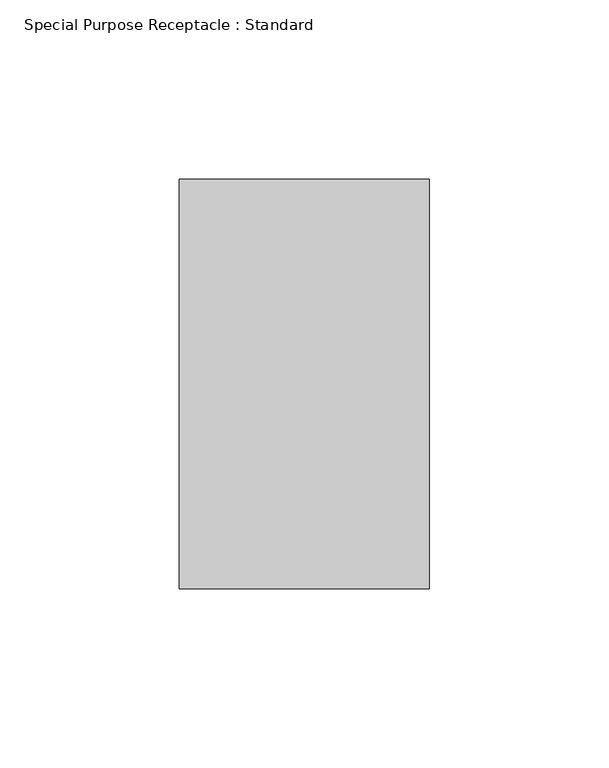
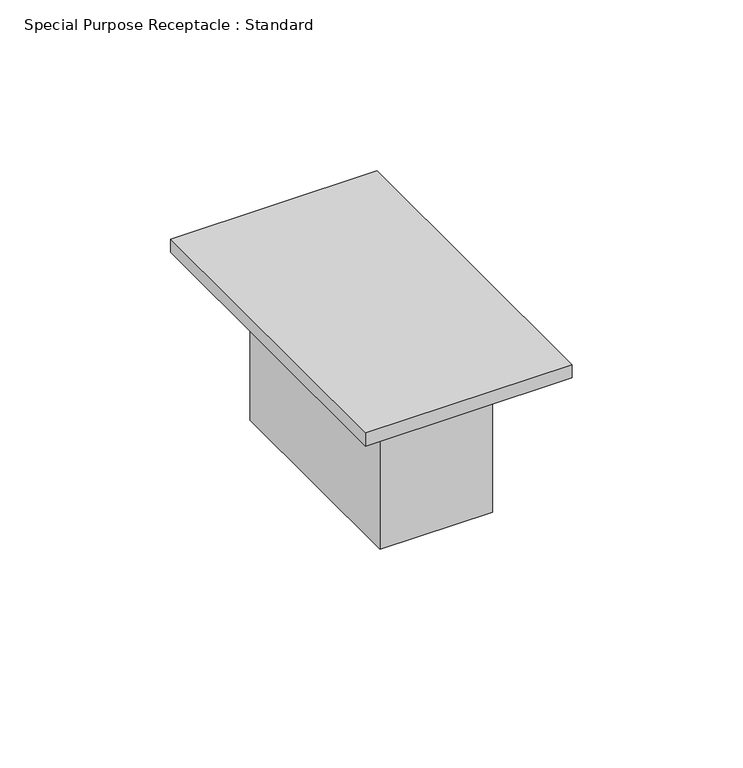
"""IFC4 building model written with IfcOpenShell, lengths in millimetres: proxy geometry, Special Purpose Receptacle : Standard."""

from ifc_helpers import new_model, si_unit, frame, origin, origin_with_axes, place, context, project, spatial, polyline, outline, extrude, source, transform, mapped, element, save


def special_purpose_receptacle_standard_10251bba(model_context):
    return source(origin(), model_context, "Body", "SweptSolid", [
        extrude(outline(polyline([(19.05, 38.1), (19.05, -38.1), (-19.05, -38.1), (-19.05, 38.1), (19.05, 38.1)])), frame((0.0, 0.0, -53.975), z_axis=(0.0, 0.0, 1.0), x_axis=(1.0, 0.0, 0.0)), (0.0, 0.0, 1.0), 53.975),
        extrude(outline(polyline([(34.925, 57.15), (34.925, -57.15), (-34.925, -57.15), (-34.925, 57.15), (34.925, 57.15)])), origin_with_axes(), (0.0, 0.0, 1.0), 4.7625),
    ])


if __name__ == "__main__":
    model = new_model("IFC4")
    model_context = context("Model", 3, world=origin())
    ifc_project = project(units=[si_unit("LENGTHUNIT", "METRE", prefix="MILLI")], contexts=[model_context])
    site = spatial("IfcSite", under=ifc_project)
    building = spatial("IfcBuilding", under=site)
    placement = place(None, origin())
    special_purpose_receptacle_standard_shape = special_purpose_receptacle_standard_10251bba(model_context)
    element("IfcBuildingElementProxy", 1, Name="Special Purpose Receptacle : Standard", ObjectType="Special Purpose Receptacle : Standard", at=placement, inside=building, context=model_context, shape_type="MappedRepresentation", body=[
        mapped(special_purpose_receptacle_standard_shape, transform((0.0, 0.0, 0.0), x_axis=(1.0, 0.0, 0.0), y_axis=(0.0, 1.0, 0.0), z_axis=(0.0, 0.0, 1.0))),
    ])
    save(model, "model.ifc")
